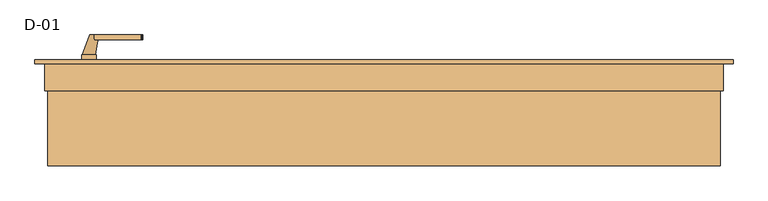
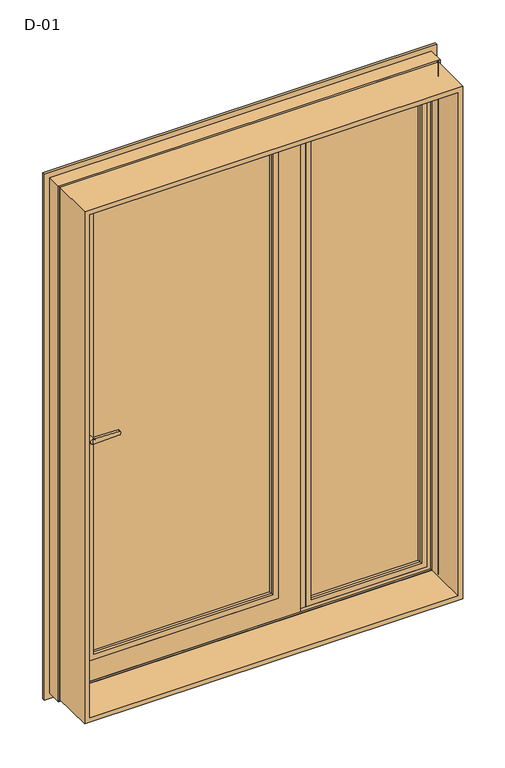
"""IFC4 building model written with IfcOpenShell, lengths in millimetres: door geometry, D-01."""

from ifc_helpers import new_model, si_unit, point, frame, frame_2d, origin, place, context, project, spatial, polyline, circle_curve, ellipse_curve, trimmed, segment, composite_curve, outline, extrude, faceted_brep, source, transform, mapped, element, save
from ifc_brep_helpers import plane_surface, cylinder_surface, revolved_surface, spline_surface, advanced_brep


def d_01_42792e30(model_context):
    return source(origin(), model_context, "Body", "SolidModel", [
        extrude(outline(polyline([(104.0295117, 106.6069746), (104.0295117, 80.6069746), (-579.0295117, 80.6069746), (-579.0295117, 106.6069746), (104.0295117, 106.6069746)])), frame((0.0, 0.0, 121.0002274), z_axis=(0.0, 0.0, 1.0), x_axis=(1.0, 0.0, 0.0)), (0.0, 0.0, 1.0), 1757.9997726),
        extrude(outline(polyline([(653.0, 113.6071222), (653.0, 87.6071222), (222.0, 87.6071222), (222.0, 113.6071222), (653.0, 113.6071222)])), frame((0.0, 0.0, 47.0), z_axis=(0.0, 0.0, 1.0), x_axis=(1.0, 0.0, 0.0)), (0.0, 0.0, 1.0), 1906.0),
        extrude(outline(polyline([(1993.8, 693.8), (1993.8, -693.8), (6.2, -693.8), (6.2, 693.8), (1993.8, 693.8)]), holes=[polyline([(24.7, 675.3), (24.7, -675.3), (1975.3, -675.3), (1975.3, 675.3), (24.7, 675.3)])]), frame((0.0, -100.0, 0.0), z_axis=(0.0, 1.0, 0.0), x_axis=(0.0, 0.0, 1.0)), (0.0, 0.0, 1.0), 165.9999813),
        advanced_brep(
        [(91.0295117, 73.2770628, 1866.0295117), (88.8870152, 80.607165, 1863.8870152), (88.8870152, 80.607165, 136.1129848), (91.0295117, 73.2770628, 133.9704883), (111.0295117, 80.607165, 113.9704883), (-586.0295117, 80.607165, 113.9704883), (-586.0295117, 80.607165, 1886.0295117), (111.0295117, 80.607165, 1886.0295117), (-563.8870152, 80.607165, 1863.8870152), (-563.8870152, 80.607165, 136.1129848), (-566.0295117, 73.2770628, 133.9704883), (91.0295117, 61.9999726, 1866.0295117), (91.0295117, 61.9999726, 133.9704883), (-566.0295117, 61.9999726, 133.9704883), (111.0295117, 61.9999726, 1886.0295117), (-586.0295117, 61.9999726, 1886.0295117), (-586.0295117, 61.9999726, 113.9704883), (111.0295117, 61.9999726, 113.9704883), (-566.0295117, 61.9999726, 1866.0295117), (-566.0295117, 73.2770628, 1866.0295117)],
        [
            (0, 1, ellipse_curve(frame((71.4221, 71.5242268, 1846.4221), z_axis=(-0.7071067811865475, 0.0, 0.7071067811865475), x_axis=(-0.7071067811865474, 0.0, -0.7071067811865476)), 27.839649, 19.6856046)),
            (1, 2),
            (2, 3, ellipse_curve(frame((71.4221, 71.5242268, 153.5779), z_axis=(-0.7071067811865475, 0.0, -0.7071067811865475), x_axis=(0.7071067811865474, 0.0, -0.7071067811865476)), 27.839649, 19.6856046)),
            (3, 0),
            (4, 5),
            (5, 6),
            (6, 7),
            (7, 4),
            (1, 8),
            (8, 9),
            (9, 2),
            (9, 10, ellipse_curve(frame((-546.4221, 71.5242268, 153.5779), z_axis=(-0.7071067811865475, 0.0, 0.7071067811865475), x_axis=(-0.7071067811865476, 0.0, -0.7071067811865474)), 27.839649, 19.6856046)),
            (10, 3),
            (11, 0),
            (3, 12),
            (12, 11),
            (10, 13),
            (13, 12),
            (14, 15),
            (15, 16),
            (16, 17),
            (17, 14),
            (13, 18),
            (18, 11),
            (7, 14),
            (17, 4),
            (16, 5),
            (8, 19, ellipse_curve(frame((-546.4221, 71.5242268, 1846.4221), z_axis=(0.7071067811865475, 0.0, 0.7071067811865475), x_axis=(-0.7071067811865474, 0.0, 0.7071067811865476)), 27.839649, 19.6856046)),
            (19, 10),
            (19, 18),
            (15, 6),
            (0, 19),
        ],
        [
            revolved_surface(polyline([(91.1077046, 71.5242268, 133.8922954062466), (91.1077046, 71.5242268, 1866.1077045937534)]), (71.4221, 71.5242268, 1886.0295117), (0.0, 0.0, -1.0)),
            plane_surface(frame((-586.0295117, 80.607165, 1886.0295117), z_axis=(0.0, 1.0, 0.0), x_axis=(1.0, 0.0, 0.0))),
            revolved_surface(polyline([(-566.1077045937534, 71.5242268, 133.8922954), (91.10770459375328, 71.5242268, 133.8922954)]), (111.0295117, 71.5242268, 153.5779), (-1.0, 0.0, 0.0)),
            plane_surface(frame((91.0295117, 73.2770628, 1866.0295117), z_axis=(-1.0, 0.0, 0.0), x_axis=(0.0, 0.0, -1.0))),
            plane_surface(frame((91.0295117, 73.2770628, 133.9704883), z_axis=(0.0, 0.0, 1.0), x_axis=(-1.0, 0.0, 0.0))),
            plane_surface(frame((-566.0295117, 61.9999726, 1866.0295117), z_axis=(0.0, -1.0, 0.0), x_axis=(1.0, 0.0, 0.0))),
            plane_surface(frame((111.0295117, 61.9999726, 1886.0295117), z_axis=(1.0, 0.0, 0.0), x_axis=(0.0, 0.0, -1.0))),
            plane_surface(frame((111.0295117, 61.9999726, 113.9704883), z_axis=(0.0, 0.0, -1.0), x_axis=(-1.0, 0.0, 0.0))),
            revolved_surface(polyline([(-566.1077046, 71.5242268, 1866.1077045937534), (-566.1077046, 71.5242268, 133.89229540624672)]), (-546.4221, 71.5242268, 113.9704883), (0.0, 0.0, 1.0)),
            plane_surface(frame((-566.0295117, 73.2770628, 133.9704883), z_axis=(1.0, 0.0, 0.0), x_axis=(0.0, 0.0, 1.0))),
            plane_surface(frame((-586.0295117, 61.9999726, 113.9704883), z_axis=(-1.0, 0.0, 0.0), x_axis=(0.0, 0.0, 1.0))),
            revolved_surface(polyline([(91.10770459375328, 71.5242268, 1866.1077046), (-566.1077045937533, 71.5242268, 1866.1077046)]), (-586.0295117, 71.5242268, 1846.4221), (1.0, 0.0, 0.0)),
            plane_surface(frame((-566.0295117, 73.2770628, 1866.0295117), z_axis=(0.0, 0.0, -1.0), x_axis=(1.0, 0.0, 0.0))),
            plane_surface(frame((-586.0295117, 61.9999726, 1886.0295117), z_axis=(0.0, 0.0, 1.0), x_axis=(1.0, 0.0, 0.0))),
        ],
        [
            (0, [[1, 2, 3, 4]]),
            (1, [[5, 6, 7, 8], [9, 10, 11, -2]]),
            (2, [[-3, -11, 12, 13]]),
            (3, [[14, -4, 15, 16]]),
            (4, [[-15, -13, 17, 18]]),
            (5, [[19, 20, 21, 22], [-18, 23, 24, -16]]),
            (6, [[25, -22, 26, -8]]),
            (7, [[-26, -21, 27, -5]]),
            (8, [[-12, -10, 28, 29]]),
            (9, [[-17, -29, 30, -23]]),
            (10, [[-27, -20, 31, -6]]),
            (11, [[-28, -9, -1, 32]]),
            (12, [[-30, -32, -14, -24]]),
            (13, [[-31, -19, -25, -7]]),
        ],
    ),
        advanced_brep(
        [(640.0002274, 80.27702, 1940.0002274), (637.8577308, 87.6071222, 1937.8577308), (637.8577308, 87.6071222, 62.1422692), (640.0002274, 80.27702, 59.9997726), (660.0002274, 87.6071222, 39.9997726), (215.0, 87.6071222, 39.9997726), (215.0, 87.6071222, 1960.0002274), (660.0002274, 87.6071222, 1960.0002274), (237.1424966, 87.6071222, 1937.8577308), (237.1424966, 87.6071222, 62.1422692), (235.0, 80.27702, 59.9997726), (640.0002274, 68.9999298, 1940.0002274), (640.0002274, 68.9999298, 59.9997726), (235.0, 68.9999298, 59.9997726), (660.0002274, 68.9999298, 1960.0002274), (215.0, 68.9999298, 1960.0002274), (215.0, 68.9999298, 39.9997726), (660.0002274, 68.9999298, 39.9997726), (235.0, 68.9999298, 1940.0002274), (235.0, 80.27702, 1940.0002274)],
        [
            (0, 1, ellipse_curve(frame((620.3928156, 78.5241839, 1920.3928156), z_axis=(-0.7071067811865475, 0.0, 0.7071067811865475), x_axis=(-0.7071067811865474, 0.0, -0.7071067811865476)), 27.839649, 19.6856046)),
            (1, 2),
            (2, 3, ellipse_curve(frame((620.3928156, 78.5241839, 79.6071844), z_axis=(-0.7071067811865475, 0.0, -0.7071067811865475), x_axis=(0.7071067811865474, 0.0, -0.7071067811865476)), 27.839649, 19.6856046)),
            (3, 0),
            (4, 5),
            (5, 6),
            (6, 7),
            (7, 4),
            (1, 8),
            (8, 9),
            (9, 2),
            (9, 10, ellipse_curve(frame((254.6074117, 78.5241839, 79.6071844), z_axis=(-0.7071067811865475, 0.0, 0.7071067811865475), x_axis=(-0.7071067811865476, 0.0, -0.7071067811865474)), 27.839649, 19.6856046)),
            (10, 3),
            (11, 0),
            (3, 12),
            (12, 11),
            (10, 13),
            (13, 12),
            (14, 15),
            (15, 16),
            (16, 17),
            (17, 14),
            (13, 18),
            (18, 11),
            (7, 14),
            (17, 4),
            (16, 5),
            (8, 19, ellipse_curve(frame((254.6074117, 78.5241839, 1920.3928156), z_axis=(0.7071067811865475, 0.0, 0.7071067811865475), x_axis=(-0.7071067811865474, 0.0, 0.7071067811865476)), 27.839649, 19.6856046)),
            (19, 10),
            (19, 18),
            (15, 6),
            (0, 19),
        ],
        [
            revolved_surface(polyline([(640.0784202, 78.5241839, 59.921579806246655), (640.0784202, 78.5241839, 1940.0784201937533)]), (620.3928156, 78.5241839, 1960.0002274), (0.0, 0.0, -1.0)),
            plane_surface(frame((215.0, 87.6071222, 1960.0002274), z_axis=(0.0, 1.0, 0.0), x_axis=(1.0, 0.0, 0.0))),
            revolved_surface(polyline([(234.92180710624672, 78.5241839, 59.92157979999999), (640.0784201937532, 78.5241839, 59.92157979999999)]), (660.0002274, 78.5241839, 79.6071844), (-1.0, 0.0, 0.0)),
            plane_surface(frame((640.0002274, 80.27702, 1940.0002274), z_axis=(-1.0, 0.0, 0.0), x_axis=(0.0, 0.0, -1.0))),
            plane_surface(frame((640.0002274, 80.27702, 59.9997726), z_axis=(0.0, 0.0, 1.0), x_axis=(-1.0, 0.0, 0.0))),
            plane_surface(frame((235.0, 68.9999298, 1940.0002274), z_axis=(0.0, -1.0, 0.0), x_axis=(1.0, 0.0, 0.0))),
            plane_surface(frame((660.0002274, 68.9999298, 1960.0002274), z_axis=(1.0, 0.0, 0.0), x_axis=(0.0, 0.0, -1.0))),
            plane_surface(frame((660.0002274, 68.9999298, 39.9997726), z_axis=(0.0, 0.0, -1.0), x_axis=(-1.0, 0.0, 0.0))),
            revolved_surface(polyline([(234.9218071, 78.5241839, 1940.0784201937533), (234.9218071, 78.5241839, 59.92157980624671)]), (254.6074117, 78.5241839, 39.9997726), (0.0, 0.0, 1.0)),
            plane_surface(frame((235.0, 80.27702, 59.9997726), z_axis=(1.0, 0.0, 0.0), x_axis=(0.0, 0.0, 1.0))),
            plane_surface(frame((215.0, 68.9999298, 39.9997726), z_axis=(-1.0, 0.0, 0.0), x_axis=(0.0, 0.0, 1.0))),
            revolved_surface(polyline([(640.0784201937532, 78.5241839, 1940.0784202), (234.92180710624672, 78.5241839, 1940.0784202)]), (215.0, 78.5241839, 1920.3928156), (1.0, 0.0, 0.0)),
            plane_surface(frame((235.0, 80.27702, 1940.0002274), z_axis=(0.0, 0.0, -1.0), x_axis=(1.0, 0.0, 0.0))),
            plane_surface(frame((215.0, 68.9999298, 1960.0002274), z_axis=(0.0, 0.0, 1.0), x_axis=(1.0, 0.0, 0.0))),
        ],
        [
            (0, [[1, 2, 3, 4]]),
            (1, [[5, 6, 7, 8], [9, 10, 11, -2]]),
            (2, [[-3, -11, 12, 13]]),
            (3, [[14, -4, 15, 16]]),
            (4, [[-15, -13, 17, 18]]),
            (5, [[19, 20, 21, 22], [-18, 23, 24, -16]]),
            (6, [[25, -22, 26, -8]]),
            (7, [[-26, -21, 27, -5]]),
            (8, [[-12, -10, 28, 29]]),
            (9, [[-17, -29, 30, -23]]),
            (10, [[-27, -20, 31, -6]]),
            (11, [[-28, -9, -1, 32]]),
            (12, [[-30, -32, -14, -24]]),
            (13, [[-31, -19, -25, -7]]),
        ],
    ),
        extrude(outline(polyline([(164.9999652, 119.0008502), (235.0000026, 119.0008502), (235.0000026, 115.4008502), (215.0000187, 115.4008502), (215.0000187, 68.9999299), (184.9999813, 68.9999299), (184.9999813, 115.4008502), (164.9999652, 115.4008502), (164.9999652, 119.0008502)])), frame((0.0, 0.0, 39.9997726), z_axis=(0.0, 0.0, 1.0), x_axis=(1.0, 0.0, 0.0)), (0.0, 0.0, 1.0), 1920.0004547),
        extrude(outline(composite_curve([segment(polyline([(895.7, -603.529519), (908.3261365, -603.529519)]), True, "CONTINUOUS"), segment(trimmed(circle_curve(frame_2d((915.2, -608.529519)), 8.5), [point((908.3261365, -603.529519))], [point((908.3261365, -613.529519))], False, "CARTESIAN"), True, "CONTINUOUS"), segment(polyline([(908.3261365, -613.529519), (895.7, -613.529519)]), True, "CONTINUOUS"), segment(trimmed(circle_curve(frame_2d((895.7, -608.529519)), 5.0), [point((895.7, -613.529519))], [point((895.7, -603.529519))], False, "CARTESIAN"), True, "CONTINUOUS")], self_intersect=False)), frame((0.0, 118.9999375, 0.0), z_axis=(0.0, 1.0, 0.0), x_axis=(0.0, 0.0, 1.0)), (0.0, 0.0, 1.0), 11.0),
        extrude(outline(composite_curve([segment(trimmed(circle_curve(frame_2d((956.1155661, -608.529519)), 97.2636214), [point((860.0, -623.429519))], [point((860.0, -593.629519))], False, "CARTESIAN"), True, "CONTINUOUS"), segment(polyline([(860.0, -593.629519), (1078.5, -593.629519)]), True, "CONTINUOUS"), segment(trimmed(circle_curve(frame_2d((982.3844339, -608.529519)), 97.2636214), [point((1078.5, -593.629519))], [point((1078.5, -623.429519))], False, "CARTESIAN"), True, "CONTINUOUS"), segment(polyline([(1078.5, -623.429519), (860.0, -623.429519)]), True, "CONTINUOUS")], self_intersect=False), holes=[composite_curve([segment(polyline([(895.7, -613.529519), (908.3261365, -613.529519)]), True, "CONTINUOUS"), segment(trimmed(circle_curve(frame_2d((915.2, -608.529519)), 8.5), [point((908.3261365, -613.529519))], [point((908.3261365, -603.529519))], True, "CARTESIAN"), True, "CONTINUOUS"), segment(polyline([(908.3261365, -603.529519), (895.7, -603.529519)]), True, "CONTINUOUS"), segment(trimmed(circle_curve(frame_2d((895.7, -608.529519)), 5.0), [point((895.7, -603.529519))], [point((895.7, -613.529519))], True, "CARTESIAN"), True, "CONTINUOUS")], self_intersect=False)]), frame((0.0, 118.9999375, 0.0), z_axis=(0.0, 1.0, 0.0), x_axis=(0.0, 0.0, 1.0)), (0.0, 0.0, 1.0), 10.0),
        extrude(outline(composite_curve([segment(polyline([(1009.5, -597.529519), (990.5, -597.529519), (993.0308731, -500.8793747)]), True, "CONTINUOUS"), segment(trimmed(circle_curve(frame_2d((995.0301877, -500.9317286)), 2.0), [point((993.0308731, -500.8793747))], [point((994.5125497, -498.9998769))], False, "CARTESIAN"), True, "CONTINUOUS"), segment(polyline([(994.5125497, -498.9998769), (1000.0, -497.529519), (1005.4874503, -498.9998769)]), True, "CONTINUOUS"), segment(trimmed(circle_curve(frame_2d((1004.9698123, -500.9317286)), 2.0), [point((1005.4874503, -498.9998769))], [point((1006.9691269, -500.8793747))], False, "CARTESIAN"), True, "CONTINUOUS"), segment(polyline([(1006.9691269, -500.8793747), (1009.5, -597.529519)]), True, "CONTINUOUS")], self_intersect=False)), frame((0.0, 159.9999375, 0.0), z_axis=(0.0, 1.0, 0.0), x_axis=(0.0, 0.0, 1.0)), (0.0, 0.0, 1.0), 10.0),
        advanced_brep(
        [(-607.029519, 169.9999375, 1000.0), (-588.029519, 169.9999375, 1000.0), (-621.929519, 128.9999375, 1000.0), (-595.129519, 128.9999375, 1000.0)],
        [
            (0, 1, circle_curve(frame((-597.529519, 169.9999375, 1000.0), z_axis=(0.0, 1.0, 0.0), x_axis=(1.0, 0.0, 0.0)), 9.5)),
            (1, 0, circle_curve(frame((-597.529519, 169.9999375, 1000.0), z_axis=(0.0, 1.0, 0.0), x_axis=(1.0, 0.0, 0.0)), 9.5)),
            (2, 3, circle_curve(frame((-608.529519, 128.9999375, 1000.0), z_axis=(0.0, -1.0, 0.0), x_axis=(1.0, 0.0, 0.0)), 13.4)),
            (3, 2, circle_curve(frame((-608.529519, 128.9999375, 1000.0), z_axis=(0.0, -1.0, 0.0), x_axis=(1.0, 0.0, 0.0)), 13.4)),
            (2, 0),
            (1, 3),
        ],
        [
            plane_surface(frame((-597.529519, 169.9999375, 1000.0), z_axis=(0.0, 1.0, 0.0), x_axis=(0.0, 0.0, -1.0))),
            plane_surface(frame((-608.529519, 128.9999375, 1000.0), z_axis=(0.0, -1.0, 0.0), x_axis=(0.0, 0.0, -1.0))),
            spline_surface(1, 2, [[(-621.929519, 128.9999375, 1000.0), (-621.929519, 128.9999375, 986.6), (-608.529519, 128.9999375, 986.6), (-595.1295190000001, 128.9999375, 986.6000000000001), (-595.129519, 128.9999375, 1000.0)], [(-607.029519, 169.9999375, 1000.0), (-607.029519, 169.9999375, 990.5), (-597.529519, 169.9999375, 990.5), (-588.029519, 169.9999375, 990.5000000000001), (-588.029519, 169.9999375, 1000.0)]], [2, 2], [3, 2, 3], [0.0, 1.0], [0.0, 1.0, 2.0], weights=[[1.0, 0.7071067811865476, 1.0, 0.7071067811865505, 1.0], [1.0, 0.7071067811865476, 1.0, 0.7071067811865505, 1.0]]),
            spline_surface(1, 2, [[(-595.129519, 128.9999375, 1000.0), (-595.129519, 128.9999375, 1013.4000000000001), (-608.529519, 128.9999375, 1013.4000000000001), (-621.9295190000001, 128.9999375, 1013.4000000000002), (-621.929519, 128.9999375, 1000.0)], [(-588.029519, 169.9999375, 1000.0), (-588.029519, 169.9999375, 1009.5), (-597.529519, 169.9999375, 1009.5), (-607.029519, 169.9999375, 1009.5000000000001), (-607.029519, 169.9999375, 1000.0)]], [2, 2], [3, 2, 3], [0.0, 1.0], [0.0, 1.0, 2.0], weights=[[1.0, 0.7071067811865476, 1.0, 0.7071067811865445, 1.0], [1.0, 0.7071067811865476, 1.0, 0.7071067811865445, 1.0]]),
        ],
        [
            (0, [[1, 2]]),
            (1, [[3, 4]]),
            (2, [[5, -2, 6, -3]]),
            (3, [[-6, -1, -5, -4]]),
        ],
    ),
        extrude(outline(composite_curve([segment(polyline([(895.7, -603.529519), (908.3261365, -603.529519)]), True, "CONTINUOUS"), segment(trimmed(circle_curve(frame_2d((915.2, -608.529519)), 8.5), [point((908.3261365, -603.529519))], [point((908.3261365, -613.529519))], False, "CARTESIAN"), True, "CONTINUOUS"), segment(polyline([(908.3261365, -613.529519), (895.7, -613.529519)]), True, "CONTINUOUS"), segment(trimmed(circle_curve(frame_2d((895.7, -608.529519)), 5.0), [point((895.7, -613.529519))], [point((895.7, -603.529519))], False, "CARTESIAN"), True, "CONTINUOUS")], self_intersect=False)), frame((0.0, 50.9999296, 0.0), z_axis=(0.0, 1.0, 0.0), x_axis=(0.0, 0.0, 1.0)), (0.0, 0.0, 1.0), 11.0),
        extrude(outline(composite_curve([segment(trimmed(circle_curve(frame_2d((956.1155661, -608.529519)), 97.2636214), [point((860.0, -623.429519))], [point((860.0, -593.629519))], False, "CARTESIAN"), True, "CONTINUOUS"), segment(polyline([(860.0, -593.629519), (1078.5, -593.629519)]), True, "CONTINUOUS"), segment(trimmed(circle_curve(frame_2d((982.3844339, -608.529519)), 97.2636214), [point((1078.5, -593.629519))], [point((1078.5, -623.429519))], False, "CARTESIAN"), True, "CONTINUOUS"), segment(polyline([(1078.5, -623.429519), (860.0, -623.429519)]), True, "CONTINUOUS")], self_intersect=False), holes=[composite_curve([segment(polyline([(895.7, -613.529519), (908.3261365, -613.529519)]), True, "CONTINUOUS"), segment(trimmed(circle_curve(frame_2d((915.2, -608.529519)), 8.5), [point((908.3261365, -613.529519))], [point((908.3261365, -603.529519))], True, "CARTESIAN"), True, "CONTINUOUS"), segment(polyline([(908.3261365, -603.529519), (895.7, -603.529519)]), True, "CONTINUOUS"), segment(trimmed(circle_curve(frame_2d((895.7, -608.529519)), 5.0), [point((895.7, -603.529519))], [point((895.7, -613.529519))], True, "CARTESIAN"), True, "CONTINUOUS")], self_intersect=False)]), frame((0.0, 51.9999296, 0.0), z_axis=(0.0, 1.0, 0.0), x_axis=(0.0, 0.0, 1.0)), (0.0, 0.0, 1.0), 10.0),
        extrude(outline(composite_curve([segment(polyline([(1009.5, -597.529519), (990.5, -597.529519), (993.0308731, -500.8793747)]), True, "CONTINUOUS"), segment(trimmed(circle_curve(frame_2d((995.0301877, -500.9317286)), 2.0), [point((993.0308731, -500.8793747))], [point((994.5125497, -498.9998769))], False, "CARTESIAN"), True, "CONTINUOUS"), segment(polyline([(994.5125497, -498.9998769), (1000.0, -497.529519), (1005.4874503, -498.9998769)]), True, "CONTINUOUS"), segment(trimmed(circle_curve(frame_2d((1004.9698123, -500.9317286)), 2.0), [point((1005.4874503, -498.9998769))], [point((1006.9691269, -500.8793747))], False, "CARTESIAN"), True, "CONTINUOUS"), segment(polyline([(1006.9691269, -500.8793747), (1009.5, -597.529519)]), True, "CONTINUOUS")], self_intersect=False)), frame((0.0, 10.9999296, 0.0), z_axis=(0.0, 1.0, 0.0), x_axis=(0.0, 0.0, 1.0)), (0.0, 0.0, 1.0), 10.0),
        advanced_brep(
        [(-607.029519, 10.9999296, 1000.0), (-588.029519, 10.9999296, 1000.0), (-621.929519, 51.9999296, 1000.0), (-595.129519, 51.9999296, 1000.0)],
        [
            (0, 1, circle_curve(frame((-597.529519, 10.9999296, 1000.0), z_axis=(0.0, -1.0, 0.0), x_axis=(1.0, 0.0, 0.0)), 9.5)),
            (1, 0, circle_curve(frame((-597.529519, 10.9999296, 1000.0), z_axis=(0.0, -1.0, 0.0), x_axis=(1.0, 0.0, 0.0)), 9.5)),
            (2, 3, circle_curve(frame((-608.529519, 51.9999296, 1000.0), z_axis=(0.0, 1.0, 0.0), x_axis=(1.0, 0.0, 0.0)), 13.4)),
            (3, 2, circle_curve(frame((-608.529519, 51.9999296, 1000.0), z_axis=(0.0, 1.0, 0.0), x_axis=(1.0, 0.0, 0.0)), 13.4)),
            (3, 1),
            (0, 2),
        ],
        [
            plane_surface(frame((-597.529519, 10.9999296, 1000.0), z_axis=(0.0, -1.0, 0.0), x_axis=(0.0, 0.0, -1.0))),
            plane_surface(frame((-608.529519, 51.9999296, 1000.0), z_axis=(0.0, 1.0, 0.0), x_axis=(0.0, 0.0, -1.0))),
            spline_surface(2, 1, [[(-621.929519, 51.9999296, 1000.0), (-607.029519, 10.9999296, 1000.0)], [(-621.929519, 51.9999296, 986.6), (-607.029519, 10.9999296, 990.5)], [(-608.529519, 51.9999296, 986.6), (-597.529519, 10.9999296, 990.5)], [(-595.1295190000001, 51.9999296, 986.6000000000001), (-588.029519, 10.9999296, 990.5000000000001)], [(-595.129519, 51.9999296, 1000.0), (-588.029519, 10.9999296, 1000.0)]], [3, 2, 3], [2, 2], [0.0, 1.0, 2.0], [0.0, 1.0], weights=[[1.0, 1.0], [0.7071067811865476, 0.7071067811865476], [1.0, 1.0], [0.7071067811865505, 0.7071067811865505], [1.0, 1.0]]),
            spline_surface(2, 1, [[(-595.129519, 51.9999296, 1000.0), (-588.029519, 10.9999296, 1000.0)], [(-595.129519, 51.9999296, 1013.4000000000001), (-588.029519, 10.9999296, 1009.5)], [(-608.529519, 51.9999296, 1013.4000000000001), (-597.529519, 10.9999296, 1009.5)], [(-621.9295190000001, 51.9999296, 1013.4000000000002), (-607.029519, 10.9999296, 1009.5000000000001)], [(-621.929519, 51.9999296, 1000.0), (-607.029519, 10.9999296, 1000.0)]], [3, 2, 3], [2, 2], [0.0, 1.0, 2.0], [0.0, 1.0], weights=[[1.0, 1.0], [0.7071067811865476, 0.7071067811865476], [1.0, 1.0], [0.7071067811865445, 0.7071067811865445], [1.0, 1.0]]),
        ],
        [
            (0, [[1, 2]]),
            (1, [[3, 4]]),
            (2, [[-4, 5, -1, 6]]),
            (3, [[-3, -6, -2, -5]]),
        ],
    ),
        faceted_brep([(191.029509, 65.5999497, 1966.029509), (191.029509, 61.9999296, 1966.029509), (191.029509, 61.9999296, 33.970491), (191.029509, 65.5999497, 33.970491), (-666.029509, 61.9999296, 1966.029509), (-666.029509, 61.9999296, 33.970491), (111.0295117, 61.9999296, 1886.0295117), (111.0295117, 61.9999296, 113.9704883), (-586.0295117, 61.9999296, 113.9704883), (-586.0295117, 61.9999296, 1886.0295117), (-666.029509, 65.5999497, 33.970491), (-666.029509, 65.5999497, 1966.029509), (-648.529519, 65.5999497, 1948.529519), (-648.529519, 65.5999497, 51.470481), (173.529519, 65.5999497, 51.470481), (173.529519, 65.5999497, 1948.529519), (173.529519, 112.0011, 1948.529519), (173.529519, 112.0011, 51.470481), (-648.529519, 112.0011, 51.470481), (-648.529519, 112.0011, 1948.529519), (-633.0352158, 112.0011, 1933.0352158), (-633.0352158, 112.0011, 66.9647842), (158.0352158, 112.0011, 66.9647842), (158.0352158, 112.0011, 1933.0352158), (158.0352158, 118.9999375, 1933.0352158), (158.0352158, 118.9999375, 66.9647842), (-633.0352158, 118.9999375, 66.9647842), (-633.0352158, 118.9999375, 1933.0352158), (-566.0300864, 118.9999375, 1866.0300864), (-566.0300864, 118.9999375, 133.9699136), (91.0300864, 118.9999375, 133.9699136), (91.0300864, 118.9999375, 1866.0300864), (91.0300864, 108.4011013, 1866.0300864), (91.0300864, 108.4011013, 133.9699136), (-566.0300864, 108.4011013, 133.9699136), (-586.0295117, 108.4011013, 1886.0295117), (-586.0295117, 108.4011013, 113.9704883), (111.0295117, 108.4011013, 113.9704883), (111.0295117, 108.4011013, 1886.0295117), (-566.0300864, 108.4011013, 1866.0300864)], [[[0, 1, 2, 3]], [[4, 5, 2, 1], [6, 7, 8, 9]], [[3, 2, 5, 10]], [[0, 3, 10, 11], [12, 13, 14, 15]], [[16, 15, 14, 17]], [[17, 14, 13, 18]], [[16, 17, 18, 19], [20, 21, 22, 23]], [[24, 23, 22, 25]], [[25, 22, 21, 26]], [[24, 25, 26, 27], [28, 29, 30, 31]], [[32, 31, 30, 33]], [[33, 30, 29, 34]], [[35, 36, 37, 38], [32, 33, 34, 39]], [[6, 38, 37, 7]], [[7, 37, 36, 8]], [[10, 5, 4, 11]], [[18, 13, 12, 19]], [[26, 21, 20, 27]], [[34, 29, 28, 39]], [[8, 36, 35, 9]], [[11, 4, 1, 0]], [[19, 12, 15, 16]], [[27, 20, 23, 24]], [[39, 28, 31, 32]], [[9, 35, 38, 6]]]),
        advanced_brep(
        [(720.000038, 110.0, 2020.000038), (720.000038, 110.0, -20.000038), (720.000038, 118.9999375, -20.000038), (720.000038, 118.9999375, 2020.000038), (-720.000038, 118.9999375, 2020.000038), (-720.000038, 118.9999375, -20.000038), (640.0004584, 118.9999375, 1940.0004584), (-640.0004584, 118.9999375, 1940.0004584), (-640.0004584, 118.9999375, 59.9995416), (640.0004584, 118.9999375, 59.9995416), (-720.000038, 110.0, -20.000038), (-720.000038, 110.0, 2020.000038), (-700.0, 110.0, 2000.0), (700.0, 110.0, 2000.0), (700.0, 110.0, 0.0), (-700.0, 110.0, 0.0), (700.0, 54.8507969, 2000.0), (700.0, 54.8507969, 0.0), (-700.0, 54.8507969, 0.0), (695.0001465, 54.8506112, 1995.0001465), (695.0001465, 54.8506112, 4.9998535), (-695.0001465, 54.8506112, 4.9998535), (695.0001465, 56.5920405, 1995.0001465), (695.0001465, 56.5920405, 4.9998535), (-695.0001465, 56.5920405, 4.9998535), (693.8001794, 56.5908144, 1993.8001794), (693.8001794, 56.5908144, 6.1998206), (-693.8001794, 56.5908144, 6.1998206), (693.8001794, 65.9999813, 1993.8001794), (693.8001794, 65.9999813, 6.1998206), (-693.8001794, 65.9999813, 6.1998206), (-693.8001794, 65.9999813, 1993.8001794), (-674.2001794, 65.9999813, 1974.2001794), (674.2001794, 65.9999813, 1974.2001794), (674.2001794, 65.9999813, 25.7998206), (-674.2001794, 65.9999813, 25.7998206), (674.2001794, 61.9999728, 1974.2001794), (674.2001794, 61.9999728, 25.7998206), (-674.2001794, 61.9999728, 25.7998206), (-674.2001794, 61.9999728, 1974.2001794), (-672.6156704, 61.9999728, 1972.6156704), (672.6156704, 61.9999728, 1972.6156704), (672.6156704, 61.9999728, 27.3843296), (-672.6156704, 61.9999728, 27.3843296), (672.8755675, 68.9999299, 1972.8755675), (672.8755675, 68.9999299, 27.1244325), (-672.8755675, 68.9999299, 27.1244325), (-672.8755675, 68.9999299, 1972.8755675), (-660.0002274, 68.9999299, 1960.0002274), (660.0002274, 68.9999299, 1960.0002274), (660.0002274, 68.9999299, 39.9997726), (-660.0002274, 68.9999299, 39.9997726), (660.0002274, 115.4000063, 1960.0002274), (660.0002274, 115.4000063, 39.9997726), (-660.0002274, 115.4000063, 39.9997726), (-660.0002274, 115.4000063, 1960.0002274), (-640.0004584, 115.4000063, 1940.0004584), (640.0004584, 115.4000063, 1940.0004584), (640.0004584, 115.4000063, 59.9995416), (-640.0004584, 115.4000063, 59.9995416), (-700.0, 54.8507969, 2000.0), (-695.0001465, 54.8506112, 1995.0001465), (-695.0001465, 56.5920405, 1995.0001465), (-693.8001794, 56.5908144, 1993.8001794)],
        [
            (0, 1),
            (1, 2),
            (2, 3),
            (3, 0),
            (4, 3),
            (2, 5),
            (5, 4),
            (6, 7),
            (7, 8),
            (8, 9),
            (9, 6),
            (1, 10),
            (10, 5),
            (0, 11),
            (11, 10),
            (12, 13),
            (13, 14),
            (14, 15),
            (15, 12),
            (16, 17),
            (17, 14),
            (13, 16),
            (17, 18),
            (18, 15),
            (19, 20),
            (20, 17, ellipse_curve(frame((697.5001465, 52.8785929, 2.4998535), z_axis=(-0.7071067811865475, 0.0, -0.7071067811865475), x_axis=(0.7071067811865474, 0.0, -0.7071067811865476)), 4.5030781, 3.184157)),
            (16, 19, ellipse_curve(frame((697.5001465, 52.8785929, 1997.5001465), z_axis=(-0.7071067811865475, 0.0, 0.7071067811865475), x_axis=(-0.7071067811865474, 0.0, -0.7071067811865476)), 4.5030781, 3.184157)),
            (20, 21),
            (21, 18, ellipse_curve(frame((-697.5001465, 52.8785929, 2.4998535), z_axis=(-0.7071067811865475, 0.0, 0.7071067811865475), x_axis=(-0.7071067811865476, 0.0, -0.7071067811865474)), 4.5030781, 3.184157)),
            (22, 23),
            (23, 20),
            (19, 22),
            (23, 24),
            (24, 21),
            (25, 26),
            (26, 23, ellipse_curve(frame((694.4001534, 56.6007652, 5.5998466), z_axis=(0.7071067811865475, 0.0, 0.7071067811865475), x_axis=(-0.7071067811865474, 0.0, 0.7071067811865476)), 0.8486081, 0.6000566)),
            (22, 25, ellipse_curve(frame((694.4001534, 56.6007652, 1994.4001534), z_axis=(0.7071067811865475, 0.0, -0.7071067811865475), x_axis=(0.7071067811865474, 0.0, 0.7071067811865476)), 0.8486081, 0.6000566)),
            (26, 27),
            (27, 24, ellipse_curve(frame((-694.4001534, 56.6007652, 5.5998466), z_axis=(0.7071067811865475, 0.0, -0.7071067811865475), x_axis=(0.7071067811865476, 0.0, 0.7071067811865474)), 0.8486081, 0.6000566)),
            (28, 29),
            (29, 26),
            (25, 28),
            (29, 30),
            (30, 27),
            (28, 31),
            (31, 30),
            (32, 33),
            (33, 34),
            (34, 35),
            (35, 32),
            (36, 37),
            (37, 34),
            (33, 36),
            (37, 38),
            (38, 35),
            (36, 39),
            (39, 38),
            (40, 41),
            (41, 42),
            (42, 43),
            (43, 40),
            (44, 45),
            (45, 42),
            (41, 44),
            (45, 46),
            (46, 43),
            (44, 47),
            (47, 46),
            (48, 49),
            (49, 50),
            (50, 51),
            (51, 48),
            (52, 53),
            (53, 50),
            (49, 52),
            (53, 54),
            (54, 51),
            (52, 55),
            (55, 54),
            (56, 57),
            (57, 58),
            (58, 59),
            (59, 56),
            (9, 58),
            (57, 6),
            (8, 59),
            (11, 4),
            (18, 60),
            (60, 12),
            (21, 61),
            (61, 60, ellipse_curve(frame((-697.5001465, 52.8785929, 1997.5001465), z_axis=(0.7071067811865475, 0.0, 0.7071067811865475), x_axis=(-0.7071067811865474, 0.0, 0.7071067811865476)), 4.5030781, 3.184157)),
            (24, 62),
            (62, 61),
            (27, 63),
            (63, 62, ellipse_curve(frame((-694.4001534, 56.6007652, 1994.4001534), z_axis=(-0.7071067811865475, 0.0, -0.7071067811865475), x_axis=(0.7071067811865474, 0.0, -0.7071067811865476)), 0.8486081, 0.6000566)),
            (31, 63),
            (39, 32),
            (47, 40),
            (55, 48),
            (7, 56),
            (60, 16),
            (61, 19),
            (62, 22),
            (63, 25),
        ],
        [
            plane_surface(frame((720.000038, 118.9999375, 2020.000038), z_axis=(1.0, 0.0, 0.0), x_axis=(0.0, 0.0, -1.0))),
            plane_surface(frame((-640.0004584, 118.9999375, 59.9995416), z_axis=(0.0, 1.0, 0.0), x_axis=(0.0, 0.0, 1.0))),
            plane_surface(frame((720.000038, 118.9999375, -20.000038), z_axis=(0.0, 0.0, -1.0), x_axis=(-1.0, 0.0, 0.0))),
            plane_surface(frame((-720.000038, 110.0, -20.000038), z_axis=(0.0, -1.0, 0.0), x_axis=(0.0, 0.0, 1.0))),
            plane_surface(frame((700.0, 110.0, 2000.0), z_axis=(1.0, 0.0, 0.0), x_axis=(0.0, 0.0, -1.0))),
            plane_surface(frame((700.0, 110.0, 0.0), z_axis=(0.0, 0.0, -1.0), x_axis=(-1.0, 0.0, 0.0))),
            revolved_surface(polyline([(700.6843035, 52.8785929, -0.6843035607225829), (700.6843035, 52.8785929, 2000.6843035607226)]), (697.5001465, 52.8785929, 2000.0), (0.0, 0.0, -1.0)),
            revolved_surface(polyline([(-700.6843035607226, 52.8785929, -0.6843035), (700.6843035607227, 52.8785929, -0.6843035)]), (700.0, 52.8785929, 2.4998535), (-1.0, 0.0, 0.0)),
            plane_surface(frame((695.0001465, 54.8506112, 1995.0001465), z_axis=(-1.0, 0.0, 0.0), x_axis=(0.0, 0.0, -1.0))),
            plane_surface(frame((695.0001465, 54.8506112, 4.9998535), z_axis=(0.0, 0.0, 1.0), x_axis=(-1.0, 0.0, 0.0))),
            cylinder_surface(frame((694.4001534, 56.6007652, 2000.0), z_axis=(0.0, 0.0, 1.0), x_axis=(1.0, 0.0, 0.0)), 0.6000566),
            cylinder_surface(frame((700.0, 56.6007652, 5.5998466), z_axis=(1.0, 0.0, 0.0), x_axis=(0.0, 0.0, -1.0)), 0.6000566),
            plane_surface(frame((693.8001794, 56.5908144, 1993.8001794), z_axis=(-1.0, 0.0, 0.0), x_axis=(0.0, 0.0, -1.0))),
            plane_surface(frame((693.8001794, 56.5908144, 6.1998206), z_axis=(0.0, 0.0, 1.0), x_axis=(-1.0, 0.0, 0.0))),
            plane_surface(frame((-693.8001794, 65.9999813, 6.1998206), z_axis=(0.0, -1.0, 0.0), x_axis=(0.0, 0.0, 1.0))),
            plane_surface(frame((674.2001794, 65.9999813, 1974.2001794), z_axis=(1.0, 0.0, 0.0), x_axis=(0.0, 0.0, -1.0))),
            plane_surface(frame((674.2001794, 65.9999813, 25.7998206), z_axis=(0.0, 0.0, -1.0), x_axis=(-1.0, 0.0, 0.0))),
            plane_surface(frame((-674.2001794, 61.9999728, 25.7998206), z_axis=(0.0, -1.0, 0.0), x_axis=(0.0, 0.0, 1.0))),
            plane_surface(frame((672.6156704, 61.9999728, 1972.6156704), z_axis=(-0.9993114533203381, 0.03710282014609819, 0.0), x_axis=(0.0, 0.0, -1.0))),
            plane_surface(frame((672.6156704, 61.9999728, 27.3843296), z_axis=(0.0, 0.03710282014609207, 0.9993114533203383), x_axis=(-1.0, 0.0, 0.0))),
            plane_surface(frame((-672.8755675, 68.9999299, 27.1244325), z_axis=(0.0, -1.0, 0.0), x_axis=(0.0, 0.0, 1.0))),
            plane_surface(frame((660.0002274, 68.9999299, 1960.0002274), z_axis=(-1.0, 0.0, 0.0), x_axis=(0.0, 0.0, -1.0))),
            plane_surface(frame((660.0002274, 68.9999299, 39.9997726), z_axis=(0.0, 0.0, 1.0), x_axis=(-1.0, 0.0, 0.0))),
            plane_surface(frame((-660.0002274, 115.4000063, 39.9997726), z_axis=(0.0, -1.0, 0.0), x_axis=(0.0, 0.0, 1.0))),
            plane_surface(frame((640.0004584, 115.4000063, 1940.0004584), z_axis=(-1.0, 0.0, 0.0), x_axis=(0.0, 0.0, -1.0))),
            plane_surface(frame((640.0004584, 115.4000063, 59.9995416), z_axis=(0.0, 0.0, 1.0), x_axis=(-1.0, 0.0, 0.0))),
            plane_surface(frame((-720.000038, 118.9999375, -20.000038), z_axis=(-1.0, 0.0, 0.0), x_axis=(0.0, 0.0, 1.0))),
            plane_surface(frame((-700.0, 110.0, 0.0), z_axis=(-1.0, 0.0, 0.0), x_axis=(0.0, 0.0, 1.0))),
            revolved_surface(polyline([(-700.6843035, 52.8785929, 2000.6843035607226), (-700.6843035, 52.8785929, -0.6843035607226331)]), (-697.5001465, 52.8785929, 0.0), (0.0, 0.0, 1.0)),
            plane_surface(frame((-695.0001465, 54.8506112, 4.9998535), z_axis=(1.0, 0.0, 0.0), x_axis=(0.0, 0.0, 1.0))),
            cylinder_surface(frame((-694.4001534, 56.6007652, 0.0), z_axis=(0.0, 0.0, -1.0), x_axis=(-1.0, 0.0, 0.0)), 0.6000566),
            plane_surface(frame((-693.8001794, 56.5908144, 6.1998206), z_axis=(1.0, 0.0, 0.0), x_axis=(0.0, 0.0, 1.0))),
            plane_surface(frame((-674.2001794, 65.9999813, 25.7998206), z_axis=(-1.0, 0.0, 0.0), x_axis=(0.0, 0.0, 1.0))),
            plane_surface(frame((-672.6156704, 61.9999728, 27.3843296), z_axis=(0.9993114533203387, 0.03710282014608596, 0.0), x_axis=(0.0, 0.0, 1.0))),
            plane_surface(frame((-660.0002274, 68.9999299, 39.9997726), z_axis=(1.0, 0.0, 0.0), x_axis=(0.0, 0.0, 1.0))),
            plane_surface(frame((-640.0004584, 115.4000063, 59.9995416), z_axis=(1.0, 0.0, 0.0), x_axis=(0.0, 0.0, 1.0))),
            plane_surface(frame((-720.000038, 118.9999375, 2020.000038), z_axis=(0.0, 0.0, 1.0), x_axis=(1.0, 0.0, 0.0))),
            plane_surface(frame((-700.0, 110.0, 2000.0), z_axis=(0.0, 0.0, 1.0), x_axis=(1.0, 0.0, 0.0))),
            revolved_surface(polyline([(700.6843035607226, 52.8785929, 2000.6843035), (-700.6843035607227, 52.8785929, 2000.6843035)]), (-700.0, 52.8785929, 1997.5001465), (1.0, 0.0, 0.0)),
            plane_surface(frame((-695.0001465, 54.8506112, 1995.0001465), z_axis=(0.0, 0.0, -1.0), x_axis=(1.0, 0.0, 0.0))),
            cylinder_surface(frame((-700.0, 56.6007652, 1994.4001534), z_axis=(-1.0, 0.0, 0.0), x_axis=(0.0, 0.0, 1.0)), 0.6000566),
            plane_surface(frame((-693.8001794, 56.5908144, 1993.8001794), z_axis=(0.0, 0.0, -1.0), x_axis=(1.0, 0.0, 0.0))),
            plane_surface(frame((-674.2001794, 65.9999813, 1974.2001794), z_axis=(0.0, 0.0, 1.0), x_axis=(1.0, 0.0, 0.0))),
            plane_surface(frame((-672.6156704, 61.9999728, 1972.6156704), z_axis=(0.0, 0.03710282014609207, -0.9993114533203383), x_axis=(1.0, 0.0, 0.0))),
            plane_surface(frame((-660.0002274, 68.9999299, 1960.0002274), z_axis=(0.0, 0.0, -1.0), x_axis=(1.0, 0.0, 0.0))),
            plane_surface(frame((-640.0004584, 115.4000063, 1940.0004584), z_axis=(0.0, 0.0, -1.0), x_axis=(1.0, 0.0, 0.0))),
        ],
        [
            (0, [[1, 2, 3, 4]]),
            (1, [[5, -3, 6, 7], [8, 9, 10, 11]]),
            (2, [[12, 13, -6, -2]]),
            (3, [[14, 15, -12, -1], [16, 17, 18, 19]]),
            (4, [[20, 21, -17, 22]]),
            (5, [[23, 24, -18, -21]]),
            (6, [[25, 26, -20, 27]]),
            (7, [[28, 29, -23, -26]]),
            (8, [[30, 31, -25, 32]]),
            (9, [[33, 34, -28, -31]]),
            (10, [[35, 36, -30, 37]]),
            (11, [[38, 39, -33, -36]]),
            (12, [[40, 41, -35, 42]]),
            (13, [[43, 44, -38, -41]]),
            (14, [[45, 46, -43, -40], [47, 48, 49, 50]]),
            (15, [[51, 52, -48, 53]]),
            (16, [[54, 55, -49, -52]]),
            (17, [[56, 57, -54, -51], [58, 59, 60, 61]]),
            (18, [[62, 63, -59, 64]]),
            (19, [[65, 66, -60, -63]]),
            (20, [[67, 68, -65, -62], [69, 70, 71, 72]]),
            (21, [[73, 74, -70, 75]]),
            (22, [[76, 77, -71, -74]]),
            (23, [[78, 79, -76, -73], [80, 81, 82, 83]]),
            (24, [[-11, 84, -81, 85]]),
            (25, [[-10, 86, -82, -84]]),
            (26, [[-15, 87, -7, -13]]),
            (27, [[88, 89, -19, -24]]),
            (28, [[90, 91, -88, -29]]),
            (29, [[92, 93, -90, -34]]),
            (30, [[94, 95, -92, -39]]),
            (31, [[-46, 96, -94, -44]]),
            (32, [[-57, 97, -50, -55]]),
            (33, [[-68, 98, -61, -66]]),
            (34, [[-79, 99, -72, -77]]),
            (35, [[-9, 100, -83, -86]]),
            (36, [[-14, -4, -5, -87]]),
            (37, [[101, -22, -16, -89]]),
            (38, [[102, -27, -101, -91]]),
            (39, [[103, -32, -102, -93]]),
            (40, [[104, -37, -103, -95]]),
            (41, [[-45, -42, -104, -96]]),
            (42, [[-56, -53, -47, -97]]),
            (43, [[-67, -64, -58, -98]]),
            (44, [[-78, -75, -69, -99]]),
            (45, [[-8, -85, -80, -100]]),
        ],
    ),
    ])


if __name__ == "__main__":
    model = new_model("IFC4")
    model_context = context("Model", 3, world=origin())
    ifc_project = project(units=[si_unit("LENGTHUNIT", "METRE", prefix="MILLI")], contexts=[model_context])
    site = spatial("IfcSite", under=ifc_project)
    building = spatial("IfcBuilding", under=site)
    placement = place(None, origin())
    d_01_shape = d_01_42792e30(model_context)
    element("IfcDoor", 1, ObjectType="D-01", at=placement, inside=building, context=model_context, shape_type="MappedRepresentation", body=[
        mapped(d_01_shape, transform((0.0, 0.0, 0.0), x_axis=(1.0, 0.0, 0.0), y_axis=(0.0, 1.0, 0.0), z_axis=(0.0, 0.0, 1.0))),
    ])
    save(model, "model.ifc")
